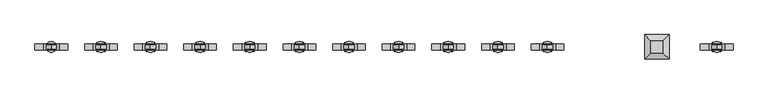
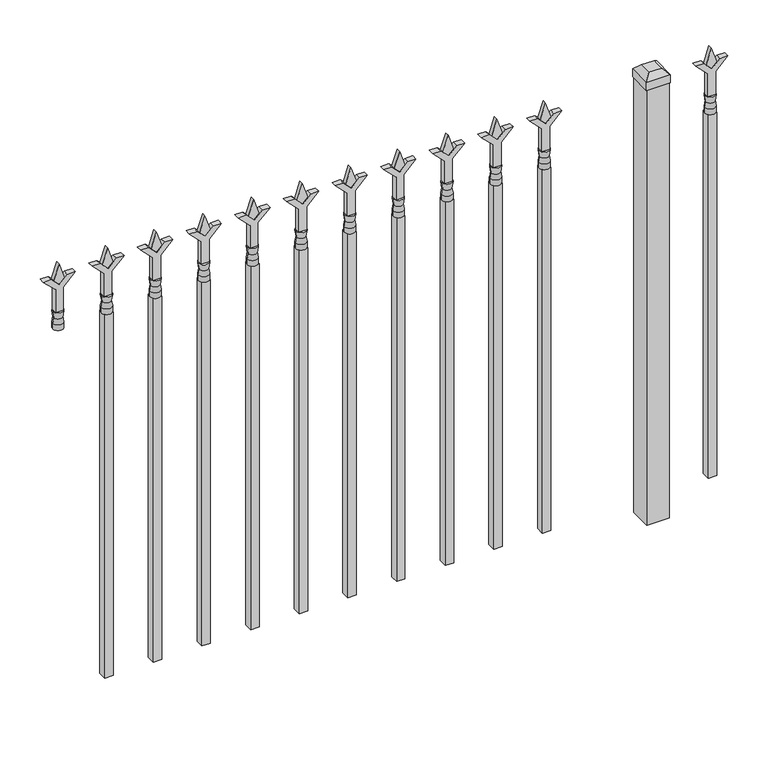
"""IFC4 building model written with IfcOpenShell, lengths in millimetres: railing geometry."""

from ifc_helpers import new_model, si_unit, frame, origin, origin_with_axes, place, context, project, spatial, polyline, circle_curve, outline, extrude, faceted_brep, source, transform, mapped, element, save
from ifc_brep_helpers import plane_surface, cylinder_surface, revolved_surface, advanced_brep


def railing_0266a685(model_context):
    return source(origin(), model_context, "Body", "SolidModel", [
        extrude(outline(polyline([(1031.08125, -84010.849337), (1066.8, -84022.755587), (1031.08125, -84034.661837), (1019.175, -84022.755587), (1031.08125, -84010.849337)])), frame((0.0, 5455.9804826, 0.0), z_axis=(0.0, 1.0, 0.0), x_axis=(0.0, 0.0, 1.0)), (0.0, 0.0, 1.0), 9.525),
        extrude(outline(polyline([(955.675, -84014.024337), (1009.9457378, -84014.024337), (1037.1355122, -83986.8345625), (1037.1355122, -84004.7950747), (1019.175, -84022.755587), (1037.1355122, -84040.7160992), (1037.1355122, -84058.6766114), (1009.9457378, -84031.486837), (955.675, -84031.486837), (955.675, -84014.024337)])), frame((0.0, 5454.3929826, 0.0), z_axis=(0.0, 1.0, 0.0), x_axis=(0.0, 0.0, 1.0)), (0.0, 0.0, 1.0), 12.7),
        advanced_brep(
        [(-84010.849337, 5460.7429826, 927.1), (-84034.661837, 5460.7429826, 927.1), (-84034.661837, 5460.7429826, 914.4), (-84010.849337, 5460.7429826, 914.4), (-84013.0546688, 5460.7429826, 939.6070585), (-84032.4565051, 5460.7429826, 939.6070585), (-84010.849337, 5460.7429826, 955.675), (-84034.661837, 5460.7429826, 955.675), (-84022.755587, 5460.7429826, 955.675), (-84022.755587, 5460.7429826, 914.4)],
        [
            (0, 1, circle_curve(frame((-84022.755587, 5460.7429826, 927.1), z_axis=(0.0, 0.0, -1.0), x_axis=(-1.0, 0.0, 0.0)), 11.90625)),
            (1, 2),
            (2, 3, circle_curve(frame((-84022.755587, 5460.7429826, 914.4), z_axis=(0.0, 0.0, 1.0), x_axis=(-1.0, 0.0, 0.0)), 11.90625)),
            (3, 0),
            (1, 0, circle_curve(frame((-84022.755587, 5460.7429826, 927.1), z_axis=(0.0, 0.0, -1.0), x_axis=(-1.0, 0.0, 0.0)), 11.90625)),
            (3, 2, circle_curve(frame((-84022.755587, 5460.7429826, 914.4), z_axis=(0.0, 0.0, 1.0), x_axis=(-1.0, 0.0, 0.0)), 11.90625)),
            (4, 5, circle_curve(frame((-84022.755587, 5460.7429826, 939.6070585), z_axis=(0.0, 0.0, -1.0), x_axis=(-1.0, 0.0, 0.0)), 9.7009181)),
            (5, 1),
            (0, 4),
            (5, 4, circle_curve(frame((-84022.755587, 5460.7429826, 939.6070585), z_axis=(0.0, 0.0, -1.0), x_axis=(-1.0, 0.0, 0.0)), 9.7009181)),
            (6, 7, circle_curve(frame((-84022.755587, 5460.7429826, 955.675), z_axis=(0.0, 0.0, -1.0), x_axis=(-1.0, 0.0, 0.0)), 11.90625)),
            (7, 5),
            (4, 6),
            (7, 6, circle_curve(frame((-84022.755587, 5460.7429826, 955.675), z_axis=(0.0, 0.0, -1.0), x_axis=(-1.0, 0.0, 0.0)), 11.90625)),
            (8, 7),
            (6, 8),
            (2, 9),
            (9, 3),
        ],
        [
            cylinder_surface(frame((-84022.755587, 5460.7429826, 914.4), z_axis=(0.0, 0.0, 1.0), x_axis=(-1.0, 0.0, 0.0)), 11.90625),
            revolved_surface(polyline([(-84034.661837, 5460.7429826, 927.1), (-84032.4565051, 5460.7429826, 939.6070585)]), (-84022.755587, 5460.7429826, 914.4), (0.0, 0.0, 1.0)),
            revolved_surface(polyline([(-84032.4565051, 5460.7429826, 939.6070585), (-84034.661837, 5460.7429826, 955.675)]), (-84022.755587, 5460.7429826, 914.4), (0.0, 0.0, 1.0)),
            plane_surface(frame((-84022.755587, 5460.7429826, 955.675), z_axis=(0.0, 0.0, 1.0), x_axis=(-1.0, 0.0, 0.0))),
            plane_surface(frame((-84022.755587, 5460.7429826, 914.4), z_axis=(0.0, 0.0, -1.0), x_axis=(-1.0, 0.0, 0.0))),
        ],
        [
            (0, [[1, 2, 3, 4]]),
            (0, [[5, -4, 6, -2]]),
            (1, [[7, 8, -1, 9]]),
            (1, [[10, -9, -5, -8]]),
            (2, [[11, 12, -7, 13]]),
            (2, [[14, -13, -10, -12]]),
            (3, [[15, -11, 16]]),
            (3, [[-16, -14, -15]]),
            (4, [[-3, 17, 18]]),
            (4, [[-6, -18, -17]]),
        ],
    ),
        extrude(outline(polyline([(-84032.280587, 5470.2679826), (-84013.230587, 5470.2679826), (-84013.230587, 5451.2179826), (-84032.280587, 5451.2179826), (-84032.280587, 5470.2679826)])), frame((0.0, 0.0, 50.8), z_axis=(0.0, 0.0, 1.0), x_axis=(1.0, 0.0, 0.0)), (0.0, 0.0, 1.0), 863.6),
        faceted_brep([(-84181.505587, 5487.7304826, 1054.1), (-84181.505587, 5487.7304826, 1035.05), (-84181.505587, 5433.7554826, 1035.05), (-84181.505587, 5433.7554826, 1054.1), (-84168.805587, 5475.0304826, 1066.8), (-84168.805587, 5446.4554826, 1066.8), (-84127.530587, 5433.7554826, 1035.05), (-84127.530587, 5433.7554826, 1054.1), (-84140.230587, 5446.4554826, 1066.8), (-84127.530587, 5487.7304826, 1035.05), (-84127.530587, 5487.7304826, 1054.1), (-84140.230587, 5475.0304826, 1066.8)], [[[0, 1, 2, 3]], [[4, 0, 3, 5]], [[3, 2, 6, 7]], [[5, 3, 7, 8]], [[7, 6, 9, 10]], [[8, 7, 10, 11]], [[10, 9, 1, 0]], [[11, 10, 0, 4]], [[5, 8, 11, 4]], [[1, 9, 6, 2]]]),
        extrude(outline(polyline([(-84129.118087, 5486.1429826), (-84129.118087, 5435.3429826), (-84179.918087, 5435.3429826), (-84179.918087, 5486.1429826), (-84129.118087, 5486.1429826)])), origin_with_axes(), (0.0, 0.0, 1.0), 1035.05),
        extrude(outline(polyline([(1031.08125, -84383.6472536), (1066.8, -84395.5535036), (1031.08125, -84407.4597536), (1019.175, -84395.5535036), (1031.08125, -84383.6472536)])), frame((0.0, 5455.9804826, 0.0), z_axis=(0.0, 1.0, 0.0), x_axis=(0.0, 0.0, 1.0)), (0.0, 0.0, 1.0), 9.525),
        extrude(outline(polyline([(955.675, -84386.8222536), (1009.9457378, -84386.8222536), (1037.1355122, -84359.6324791), (1037.1355122, -84377.5929914), (1019.175, -84395.5535036), (1037.1355122, -84413.5140159), (1037.1355122, -84431.4745281), (1009.9457378, -84404.2847536), (955.675, -84404.2847536), (955.675, -84386.8222536)])), frame((0.0, 5454.3929826, 0.0), z_axis=(0.0, 1.0, 0.0), x_axis=(0.0, 0.0, 1.0)), (0.0, 0.0, 1.0), 12.7),
        advanced_brep(
        [(-84383.6472536, 5460.7429826, 927.1), (-84407.4597536, 5460.7429826, 927.1), (-84407.4597536, 5460.7429826, 914.4), (-84383.6472536, 5460.7429826, 914.4), (-84385.8525855, 5460.7429826, 939.6070585), (-84405.2544218, 5460.7429826, 939.6070585), (-84383.6472536, 5460.7429826, 955.675), (-84407.4597536, 5460.7429826, 955.675), (-84395.5535036, 5460.7429826, 955.675), (-84395.5535036, 5460.7429826, 914.4)],
        [
            (0, 1, circle_curve(frame((-84395.5535036, 5460.7429826, 927.1), z_axis=(0.0, 0.0, -1.0), x_axis=(-1.0, 0.0, 0.0)), 11.90625)),
            (1, 2),
            (2, 3, circle_curve(frame((-84395.5535036, 5460.7429826, 914.4), z_axis=(0.0, 0.0, 1.0), x_axis=(-1.0, 0.0, 0.0)), 11.90625)),
            (3, 0),
            (1, 0, circle_curve(frame((-84395.5535036, 5460.7429826, 927.1), z_axis=(0.0, 0.0, -1.0), x_axis=(-1.0, 0.0, 0.0)), 11.90625)),
            (3, 2, circle_curve(frame((-84395.5535036, 5460.7429826, 914.4), z_axis=(0.0, 0.0, 1.0), x_axis=(-1.0, 0.0, 0.0)), 11.90625)),
            (4, 5, circle_curve(frame((-84395.5535036, 5460.7429826, 939.6070585), z_axis=(0.0, 0.0, -1.0), x_axis=(-1.0, 0.0, 0.0)), 9.7009181)),
            (5, 1),
            (0, 4),
            (5, 4, circle_curve(frame((-84395.5535036, 5460.7429826, 939.6070585), z_axis=(0.0, 0.0, -1.0), x_axis=(-1.0, 0.0, 0.0)), 9.7009181)),
            (6, 7, circle_curve(frame((-84395.5535036, 5460.7429826, 955.675), z_axis=(0.0, 0.0, -1.0), x_axis=(-1.0, 0.0, 0.0)), 11.90625)),
            (7, 5),
            (4, 6),
            (7, 6, circle_curve(frame((-84395.5535036, 5460.7429826, 955.675), z_axis=(0.0, 0.0, -1.0), x_axis=(-1.0, 0.0, 0.0)), 11.90625)),
            (8, 7),
            (6, 8),
            (2, 9),
            (9, 3),
        ],
        [
            cylinder_surface(frame((-84395.5535036, 5460.7429826, 914.4), z_axis=(0.0, 0.0, 1.0), x_axis=(-1.0, 0.0, 0.0)), 11.90625),
            revolved_surface(polyline([(-84407.4597536, 5460.7429826, 927.1), (-84405.2544218, 5460.7429826, 939.6070585)]), (-84395.5535036, 5460.7429826, 914.4), (0.0, 0.0, 1.0)),
            revolved_surface(polyline([(-84405.2544218, 5460.7429826, 939.6070585), (-84407.4597536, 5460.7429826, 955.675)]), (-84395.5535036, 5460.7429826, 914.4), (0.0, 0.0, 1.0)),
            plane_surface(frame((-84395.5535036, 5460.7429826, 955.675), z_axis=(0.0, 0.0, 1.0), x_axis=(-1.0, 0.0, 0.0))),
            plane_surface(frame((-84395.5535036, 5460.7429826, 914.4), z_axis=(0.0, 0.0, -1.0), x_axis=(-1.0, 0.0, 0.0))),
        ],
        [
            (0, [[1, 2, 3, 4]]),
            (0, [[5, -4, 6, -2]]),
            (1, [[7, 8, -1, 9]]),
            (1, [[10, -9, -5, -8]]),
            (2, [[11, 12, -7, 13]]),
            (2, [[14, -13, -10, -12]]),
            (3, [[15, -11, 16]]),
            (3, [[-16, -14, -15]]),
            (4, [[-3, 17, 18]]),
            (4, [[-6, -18, -17]]),
        ],
    ),
        extrude(outline(polyline([(-84405.0785036, 5470.2679826), (-84386.0285036, 5470.2679826), (-84386.0285036, 5451.2179826), (-84405.0785036, 5451.2179826), (-84405.0785036, 5470.2679826)])), frame((0.0, 0.0, 50.8), z_axis=(0.0, 0.0, 1.0), x_axis=(1.0, 0.0, 0.0)), (0.0, 0.0, 1.0), 863.6),
        extrude(outline(polyline([(1031.08125, -84492.9201703), (1066.8, -84504.8264203), (1031.08125, -84516.7326703), (1019.175, -84504.8264203), (1031.08125, -84492.9201703)])), frame((0.0, 5455.9804826, 0.0), z_axis=(0.0, 1.0, 0.0), x_axis=(0.0, 0.0, 1.0)), (0.0, 0.0, 1.0), 9.525),
        extrude(outline(polyline([(955.675, -84496.0951703), (1009.9457378, -84496.0951703), (1037.1355122, -84468.9053958), (1037.1355122, -84486.8659081), (1019.175, -84504.8264203), (1037.1355122, -84522.7869325), (1037.1355122, -84540.7474448), (1009.9457378, -84513.5576703), (955.675, -84513.5576703), (955.675, -84496.0951703)])), frame((0.0, 5454.3929826, 0.0), z_axis=(0.0, 1.0, 0.0), x_axis=(0.0, 0.0, 1.0)), (0.0, 0.0, 1.0), 12.7),
        advanced_brep(
        [(-84492.9201703, 5460.7429826, 927.1), (-84516.7326703, 5460.7429826, 927.1), (-84516.7326703, 5460.7429826, 914.4), (-84492.9201703, 5460.7429826, 914.4), (-84495.1255022, 5460.7429826, 939.6070585), (-84514.5273384, 5460.7429826, 939.6070585), (-84492.9201703, 5460.7429826, 955.675), (-84516.7326703, 5460.7429826, 955.675), (-84504.8264203, 5460.7429826, 955.675), (-84504.8264203, 5460.7429826, 914.4)],
        [
            (0, 1, circle_curve(frame((-84504.8264203, 5460.7429826, 927.1), z_axis=(0.0, 0.0, -1.0), x_axis=(-1.0, 0.0, 0.0)), 11.90625)),
            (1, 2),
            (2, 3, circle_curve(frame((-84504.8264203, 5460.7429826, 914.4), z_axis=(0.0, 0.0, 1.0), x_axis=(-1.0, 0.0, 0.0)), 11.90625)),
            (3, 0),
            (1, 0, circle_curve(frame((-84504.8264203, 5460.7429826, 927.1), z_axis=(0.0, 0.0, -1.0), x_axis=(-1.0, 0.0, 0.0)), 11.90625)),
            (3, 2, circle_curve(frame((-84504.8264203, 5460.7429826, 914.4), z_axis=(0.0, 0.0, 1.0), x_axis=(-1.0, 0.0, 0.0)), 11.90625)),
            (4, 5, circle_curve(frame((-84504.8264203, 5460.7429826, 939.6070585), z_axis=(0.0, 0.0, -1.0), x_axis=(-1.0, 0.0, 0.0)), 9.7009181)),
            (5, 1),
            (0, 4),
            (5, 4, circle_curve(frame((-84504.8264203, 5460.7429826, 939.6070585), z_axis=(0.0, 0.0, -1.0), x_axis=(-1.0, 0.0, 0.0)), 9.7009181)),
            (6, 7, circle_curve(frame((-84504.8264203, 5460.7429826, 955.675), z_axis=(0.0, 0.0, -1.0), x_axis=(-1.0, 0.0, 0.0)), 11.90625)),
            (7, 5),
            (4, 6),
            (7, 6, circle_curve(frame((-84504.8264203, 5460.7429826, 955.675), z_axis=(0.0, 0.0, -1.0), x_axis=(-1.0, 0.0, 0.0)), 11.90625)),
            (8, 7),
            (6, 8),
            (2, 9),
            (9, 3),
        ],
        [
            cylinder_surface(frame((-84504.8264203, 5460.7429826, 914.4), z_axis=(0.0, 0.0, 1.0), x_axis=(-1.0, 0.0, 0.0)), 11.90625),
            revolved_surface(polyline([(-84516.7326703, 5460.7429826, 927.1), (-84514.5273384, 5460.7429826, 939.6070585)]), (-84504.8264203, 5460.7429826, 914.4), (0.0, 0.0, 1.0)),
            revolved_surface(polyline([(-84514.5273384, 5460.7429826, 939.6070585), (-84516.7326703, 5460.7429826, 955.675)]), (-84504.8264203, 5460.7429826, 914.4), (0.0, 0.0, 1.0)),
            plane_surface(frame((-84504.8264203, 5460.7429826, 955.675), z_axis=(0.0, 0.0, 1.0), x_axis=(-1.0, 0.0, 0.0))),
            plane_surface(frame((-84504.8264203, 5460.7429826, 914.4), z_axis=(0.0, 0.0, -1.0), x_axis=(-1.0, 0.0, 0.0))),
        ],
        [
            (0, [[1, 2, 3, 4]]),
            (0, [[5, -4, 6, -2]]),
            (1, [[7, 8, -1, 9]]),
            (1, [[10, -9, -5, -8]]),
            (2, [[11, 12, -7, 13]]),
            (2, [[14, -13, -10, -12]]),
            (3, [[15, -11, 16]]),
            (3, [[-16, -14, -15]]),
            (4, [[-3, 17, 18]]),
            (4, [[-6, -18, -17]]),
        ],
    ),
        extrude(outline(polyline([(-84514.3514203, 5470.2679826), (-84495.3014203, 5470.2679826), (-84495.3014203, 5451.2179826), (-84514.3514203, 5451.2179826), (-84514.3514203, 5470.2679826)])), frame((0.0, 0.0, 50.8), z_axis=(0.0, 0.0, 1.0), x_axis=(1.0, 0.0, 0.0)), (0.0, 0.0, 1.0), 863.6),
        extrude(outline(polyline([(1031.08125, -84602.193087), (1066.8, -84614.099337), (1031.08125, -84626.005587), (1019.175, -84614.099337), (1031.08125, -84602.193087)])), frame((0.0, 5455.9804826, 0.0), z_axis=(0.0, 1.0, 0.0), x_axis=(0.0, 0.0, 1.0)), (0.0, 0.0, 1.0), 9.525),
        extrude(outline(polyline([(955.675, -84605.368087), (1009.9457378, -84605.368087), (1037.1355122, -84578.1783125), (1037.1355122, -84596.1388247), (1019.175, -84614.099337), (1037.1355122, -84632.0598492), (1037.1355122, -84650.0203614), (1009.9457378, -84622.830587), (955.675, -84622.830587), (955.675, -84605.368087)])), frame((0.0, 5454.3929826, 0.0), z_axis=(0.0, 1.0, 0.0), x_axis=(0.0, 0.0, 1.0)), (0.0, 0.0, 1.0), 12.7),
        advanced_brep(
        [(-84602.193087, 5460.7429826, 927.1), (-84626.005587, 5460.7429826, 927.1), (-84626.005587, 5460.7429826, 914.4), (-84602.193087, 5460.7429826, 914.4), (-84604.3984188, 5460.7429826, 939.6070585), (-84623.8002551, 5460.7429826, 939.6070585), (-84602.193087, 5460.7429826, 955.675), (-84626.005587, 5460.7429826, 955.675), (-84614.099337, 5460.7429826, 955.675), (-84614.099337, 5460.7429826, 914.4)],
        [
            (0, 1, circle_curve(frame((-84614.099337, 5460.7429826, 927.1), z_axis=(0.0, 0.0, -1.0), x_axis=(-1.0, 0.0, 0.0)), 11.90625)),
            (1, 2),
            (2, 3, circle_curve(frame((-84614.099337, 5460.7429826, 914.4), z_axis=(0.0, 0.0, 1.0), x_axis=(-1.0, 0.0, 0.0)), 11.90625)),
            (3, 0),
            (1, 0, circle_curve(frame((-84614.099337, 5460.7429826, 927.1), z_axis=(0.0, 0.0, -1.0), x_axis=(-1.0, 0.0, 0.0)), 11.90625)),
            (3, 2, circle_curve(frame((-84614.099337, 5460.7429826, 914.4), z_axis=(0.0, 0.0, 1.0), x_axis=(-1.0, 0.0, 0.0)), 11.90625)),
            (4, 5, circle_curve(frame((-84614.099337, 5460.7429826, 939.6070585), z_axis=(0.0, 0.0, -1.0), x_axis=(-1.0, 0.0, 0.0)), 9.7009181)),
            (5, 1),
            (0, 4),
            (5, 4, circle_curve(frame((-84614.099337, 5460.7429826, 939.6070585), z_axis=(0.0, 0.0, -1.0), x_axis=(-1.0, 0.0, 0.0)), 9.7009181)),
            (6, 7, circle_curve(frame((-84614.099337, 5460.7429826, 955.675), z_axis=(0.0, 0.0, -1.0), x_axis=(-1.0, 0.0, 0.0)), 11.90625)),
            (7, 5),
            (4, 6),
            (7, 6, circle_curve(frame((-84614.099337, 5460.7429826, 955.675), z_axis=(0.0, 0.0, -1.0), x_axis=(-1.0, 0.0, 0.0)), 11.90625)),
            (8, 7),
            (6, 8),
            (2, 9),
            (9, 3),
        ],
        [
            cylinder_surface(frame((-84614.099337, 5460.7429826, 914.4), z_axis=(0.0, 0.0, 1.0), x_axis=(-1.0, 0.0, 0.0)), 11.90625),
            revolved_surface(polyline([(-84626.005587, 5460.7429826, 927.1), (-84623.8002551, 5460.7429826, 939.6070585)]), (-84614.099337, 5460.7429826, 914.4), (0.0, 0.0, 1.0)),
            revolved_surface(polyline([(-84623.8002551, 5460.7429826, 939.6070585), (-84626.005587, 5460.7429826, 955.675)]), (-84614.099337, 5460.7429826, 914.4), (0.0, 0.0, 1.0)),
            plane_surface(frame((-84614.099337, 5460.7429826, 955.675), z_axis=(0.0, 0.0, 1.0), x_axis=(-1.0, 0.0, 0.0))),
            plane_surface(frame((-84614.099337, 5460.7429826, 914.4), z_axis=(0.0, 0.0, -1.0), x_axis=(-1.0, 0.0, 0.0))),
        ],
        [
            (0, [[1, 2, 3, 4]]),
            (0, [[5, -4, 6, -2]]),
            (1, [[7, 8, -1, 9]]),
            (1, [[10, -9, -5, -8]]),
            (2, [[11, 12, -7, 13]]),
            (2, [[14, -13, -10, -12]]),
            (3, [[15, -11, 16]]),
            (3, [[-16, -14, -15]]),
            (4, [[-3, 17, 18]]),
            (4, [[-6, -18, -17]]),
        ],
    ),
        extrude(outline(polyline([(-84623.624337, 5470.2679826), (-84604.574337, 5470.2679826), (-84604.574337, 5451.2179826), (-84623.624337, 5451.2179826), (-84623.624337, 5470.2679826)])), frame((0.0, 0.0, 50.8), z_axis=(0.0, 0.0, 1.0), x_axis=(1.0, 0.0, 0.0)), (0.0, 0.0, 1.0), 863.6),
        extrude(outline(polyline([(1031.08125, -84711.4660036), (1066.8, -84723.3722536), (1031.08125, -84735.2785036), (1019.175, -84723.3722536), (1031.08125, -84711.4660036)])), frame((0.0, 5455.9804826, 0.0), z_axis=(0.0, 1.0, 0.0), x_axis=(0.0, 0.0, 1.0)), (0.0, 0.0, 1.0), 9.525),
        extrude(outline(polyline([(955.675, -84714.6410036), (1009.9457378, -84714.6410036), (1037.1355122, -84687.4512291), (1037.1355122, -84705.4117414), (1019.175, -84723.3722536), (1037.1355122, -84741.3327659), (1037.1355122, -84759.2932781), (1009.9457378, -84732.1035036), (955.675, -84732.1035036), (955.675, -84714.6410036)])), frame((0.0, 5454.3929826, 0.0), z_axis=(0.0, 1.0, 0.0), x_axis=(0.0, 0.0, 1.0)), (0.0, 0.0, 1.0), 12.7),
        advanced_brep(
        [(-84711.4660036, 5460.7429826, 927.1), (-84735.2785036, 5460.7429826, 927.1), (-84735.2785036, 5460.7429826, 914.4), (-84711.4660036, 5460.7429826, 914.4), (-84713.6713355, 5460.7429826, 939.6070585), (-84733.0731718, 5460.7429826, 939.6070585), (-84711.4660036, 5460.7429826, 955.675), (-84735.2785036, 5460.7429826, 955.675), (-84723.3722536, 5460.7429826, 955.675), (-84723.3722536, 5460.7429826, 914.4)],
        [
            (0, 1, circle_curve(frame((-84723.3722536, 5460.7429826, 927.1), z_axis=(0.0, 0.0, -1.0), x_axis=(-1.0, 0.0, 0.0)), 11.90625)),
            (1, 2),
            (2, 3, circle_curve(frame((-84723.3722536, 5460.7429826, 914.4), z_axis=(0.0, 0.0, 1.0), x_axis=(-1.0, 0.0, 0.0)), 11.90625)),
            (3, 0),
            (1, 0, circle_curve(frame((-84723.3722536, 5460.7429826, 927.1), z_axis=(0.0, 0.0, -1.0), x_axis=(-1.0, 0.0, 0.0)), 11.90625)),
            (3, 2, circle_curve(frame((-84723.3722536, 5460.7429826, 914.4), z_axis=(0.0, 0.0, 1.0), x_axis=(-1.0, 0.0, 0.0)), 11.90625)),
            (4, 5, circle_curve(frame((-84723.3722536, 5460.7429826, 939.6070585), z_axis=(0.0, 0.0, -1.0), x_axis=(-1.0, 0.0, 0.0)), 9.7009181)),
            (5, 1),
            (0, 4),
            (5, 4, circle_curve(frame((-84723.3722536, 5460.7429826, 939.6070585), z_axis=(0.0, 0.0, -1.0), x_axis=(-1.0, 0.0, 0.0)), 9.7009181)),
            (6, 7, circle_curve(frame((-84723.3722536, 5460.7429826, 955.675), z_axis=(0.0, 0.0, -1.0), x_axis=(-1.0, 0.0, 0.0)), 11.90625)),
            (7, 5),
            (4, 6),
            (7, 6, circle_curve(frame((-84723.3722536, 5460.7429826, 955.675), z_axis=(0.0, 0.0, -1.0), x_axis=(-1.0, 0.0, 0.0)), 11.90625)),
            (8, 7),
            (6, 8),
            (2, 9),
            (9, 3),
        ],
        [
            cylinder_surface(frame((-84723.3722536, 5460.7429826, 914.4), z_axis=(0.0, 0.0, 1.0), x_axis=(-1.0, 0.0, 0.0)), 11.90625),
            revolved_surface(polyline([(-84735.2785036, 5460.7429826, 927.1), (-84733.0731718, 5460.7429826, 939.6070585)]), (-84723.3722536, 5460.7429826, 914.4), (0.0, 0.0, 1.0)),
            revolved_surface(polyline([(-84733.0731718, 5460.7429826, 939.6070585), (-84735.2785036, 5460.7429826, 955.675)]), (-84723.3722536, 5460.7429826, 914.4), (0.0, 0.0, 1.0)),
            plane_surface(frame((-84723.3722536, 5460.7429826, 955.675), z_axis=(0.0, 0.0, 1.0), x_axis=(-1.0, 0.0, 0.0))),
            plane_surface(frame((-84723.3722536, 5460.7429826, 914.4), z_axis=(0.0, 0.0, -1.0), x_axis=(-1.0, 0.0, 0.0))),
        ],
        [
            (0, [[1, 2, 3, 4]]),
            (0, [[5, -4, 6, -2]]),
            (1, [[7, 8, -1, 9]]),
            (1, [[10, -9, -5, -8]]),
            (2, [[11, 12, -7, 13]]),
            (2, [[14, -13, -10, -12]]),
            (3, [[15, -11, 16]]),
            (3, [[-16, -14, -15]]),
            (4, [[-3, 17, 18]]),
            (4, [[-6, -18, -17]]),
        ],
    ),
        extrude(outline(polyline([(-84732.8972536, 5470.2679826), (-84713.8472536, 5470.2679826), (-84713.8472536, 5451.2179826), (-84732.8972536, 5451.2179826), (-84732.8972536, 5470.2679826)])), frame((0.0, 0.0, 50.8), z_axis=(0.0, 0.0, 1.0), x_axis=(1.0, 0.0, 0.0)), (0.0, 0.0, 1.0), 863.6),
        extrude(outline(polyline([(1031.08125, -84820.7389203), (1066.8, -84832.6451703), (1031.08125, -84844.5514203), (1019.175, -84832.6451703), (1031.08125, -84820.7389203)])), frame((0.0, 5455.9804826, 0.0), z_axis=(0.0, 1.0, 0.0), x_axis=(0.0, 0.0, 1.0)), (0.0, 0.0, 1.0), 9.525),
        extrude(outline(polyline([(955.675, -84823.9139203), (1009.9457378, -84823.9139203), (1037.1355122, -84796.7241458), (1037.1355122, -84814.6846581), (1019.175, -84832.6451703), (1037.1355122, -84850.6056825), (1037.1355122, -84868.5661948), (1009.9457378, -84841.3764203), (955.675, -84841.3764203), (955.675, -84823.9139203)])), frame((0.0, 5454.3929826, 0.0), z_axis=(0.0, 1.0, 0.0), x_axis=(0.0, 0.0, 1.0)), (0.0, 0.0, 1.0), 12.7),
        advanced_brep(
        [(-84820.7389203, 5460.7429826, 927.1), (-84844.5514203, 5460.7429826, 927.1), (-84844.5514203, 5460.7429826, 914.4), (-84820.7389203, 5460.7429826, 914.4), (-84822.9442522, 5460.7429826, 939.6070585), (-84842.3460884, 5460.7429826, 939.6070585), (-84820.7389203, 5460.7429826, 955.675), (-84844.5514203, 5460.7429826, 955.675), (-84832.6451703, 5460.7429826, 955.675), (-84832.6451703, 5460.7429826, 914.4)],
        [
            (0, 1, circle_curve(frame((-84832.6451703, 5460.7429826, 927.1), z_axis=(0.0, 0.0, -1.0), x_axis=(-1.0, 0.0, 0.0)), 11.90625)),
            (1, 2),
            (2, 3, circle_curve(frame((-84832.6451703, 5460.7429826, 914.4), z_axis=(0.0, 0.0, 1.0), x_axis=(-1.0, 0.0, 0.0)), 11.90625)),
            (3, 0),
            (1, 0, circle_curve(frame((-84832.6451703, 5460.7429826, 927.1), z_axis=(0.0, 0.0, -1.0), x_axis=(-1.0, 0.0, 0.0)), 11.90625)),
            (3, 2, circle_curve(frame((-84832.6451703, 5460.7429826, 914.4), z_axis=(0.0, 0.0, 1.0), x_axis=(-1.0, 0.0, 0.0)), 11.90625)),
            (4, 5, circle_curve(frame((-84832.6451703, 5460.7429826, 939.6070585), z_axis=(0.0, 0.0, -1.0), x_axis=(-1.0, 0.0, 0.0)), 9.7009181)),
            (5, 1),
            (0, 4),
            (5, 4, circle_curve(frame((-84832.6451703, 5460.7429826, 939.6070585), z_axis=(0.0, 0.0, -1.0), x_axis=(-1.0, 0.0, 0.0)), 9.7009181)),
            (6, 7, circle_curve(frame((-84832.6451703, 5460.7429826, 955.675), z_axis=(0.0, 0.0, -1.0), x_axis=(-1.0, 0.0, 0.0)), 11.90625)),
            (7, 5),
            (4, 6),
            (7, 6, circle_curve(frame((-84832.6451703, 5460.7429826, 955.675), z_axis=(0.0, 0.0, -1.0), x_axis=(-1.0, 0.0, 0.0)), 11.90625)),
            (8, 7),
            (6, 8),
            (2, 9),
            (9, 3),
        ],
        [
            cylinder_surface(frame((-84832.6451703, 5460.7429826, 914.4), z_axis=(0.0, 0.0, 1.0), x_axis=(-1.0, 0.0, 0.0)), 11.90625),
            revolved_surface(polyline([(-84844.5514203, 5460.7429826, 927.1), (-84842.3460884, 5460.7429826, 939.6070585)]), (-84832.6451703, 5460.7429826, 914.4), (0.0, 0.0, 1.0)),
            revolved_surface(polyline([(-84842.3460884, 5460.7429826, 939.6070585), (-84844.5514203, 5460.7429826, 955.675)]), (-84832.6451703, 5460.7429826, 914.4), (0.0, 0.0, 1.0)),
            plane_surface(frame((-84832.6451703, 5460.7429826, 955.675), z_axis=(0.0, 0.0, 1.0), x_axis=(-1.0, 0.0, 0.0))),
            plane_surface(frame((-84832.6451703, 5460.7429826, 914.4), z_axis=(0.0, 0.0, -1.0), x_axis=(-1.0, 0.0, 0.0))),
        ],
        [
            (0, [[1, 2, 3, 4]]),
            (0, [[5, -4, 6, -2]]),
            (1, [[7, 8, -1, 9]]),
            (1, [[10, -9, -5, -8]]),
            (2, [[11, 12, -7, 13]]),
            (2, [[14, -13, -10, -12]]),
            (3, [[15, -11, 16]]),
            (3, [[-16, -14, -15]]),
            (4, [[-3, 17, 18]]),
            (4, [[-6, -18, -17]]),
        ],
    ),
        extrude(outline(polyline([(-84842.1701703, 5470.2679826), (-84823.1201703, 5470.2679826), (-84823.1201703, 5451.2179826), (-84842.1701703, 5451.2179826), (-84842.1701703, 5470.2679826)])), frame((0.0, 0.0, 50.8), z_axis=(0.0, 0.0, 1.0), x_axis=(1.0, 0.0, 0.0)), (0.0, 0.0, 1.0), 863.6),
        extrude(outline(polyline([(1031.08125, -84930.011837), (1066.8, -84941.918087), (1031.08125, -84953.824337), (1019.175, -84941.918087), (1031.08125, -84930.011837)])), frame((0.0, 5455.9804826, 0.0), z_axis=(0.0, 1.0, 0.0), x_axis=(0.0, 0.0, 1.0)), (0.0, 0.0, 1.0), 9.525),
        extrude(outline(polyline([(955.675, -84933.186837), (1009.9457378, -84933.186837), (1037.1355122, -84905.9970625), (1037.1355122, -84923.9575747), (1019.175, -84941.918087), (1037.1355122, -84959.8785992), (1037.1355122, -84977.8391114), (1009.9457378, -84950.649337), (955.675, -84950.649337), (955.675, -84933.186837)])), frame((0.0, 5454.3929826, 0.0), z_axis=(0.0, 1.0, 0.0), x_axis=(0.0, 0.0, 1.0)), (0.0, 0.0, 1.0), 12.7),
        advanced_brep(
        [(-84930.011837, 5460.7429826, 927.1), (-84953.824337, 5460.7429826, 927.1), (-84953.824337, 5460.7429826, 914.4), (-84930.011837, 5460.7429826, 914.4), (-84932.2171688, 5460.7429826, 939.6070585), (-84951.6190051, 5460.7429826, 939.6070585), (-84930.011837, 5460.7429826, 955.675), (-84953.824337, 5460.7429826, 955.675), (-84941.918087, 5460.7429826, 955.675), (-84941.918087, 5460.7429826, 914.4)],
        [
            (0, 1, circle_curve(frame((-84941.918087, 5460.7429826, 927.1), z_axis=(0.0, 0.0, -1.0), x_axis=(-1.0, 0.0, 0.0)), 11.90625)),
            (1, 2),
            (2, 3, circle_curve(frame((-84941.918087, 5460.7429826, 914.4), z_axis=(0.0, 0.0, 1.0), x_axis=(-1.0, 0.0, 0.0)), 11.90625)),
            (3, 0),
            (1, 0, circle_curve(frame((-84941.918087, 5460.7429826, 927.1), z_axis=(0.0, 0.0, -1.0), x_axis=(-1.0, 0.0, 0.0)), 11.90625)),
            (3, 2, circle_curve(frame((-84941.918087, 5460.7429826, 914.4), z_axis=(0.0, 0.0, 1.0), x_axis=(-1.0, 0.0, 0.0)), 11.90625)),
            (4, 5, circle_curve(frame((-84941.918087, 5460.7429826, 939.6070585), z_axis=(0.0, 0.0, -1.0), x_axis=(-1.0, 0.0, 0.0)), 9.7009181)),
            (5, 1),
            (0, 4),
            (5, 4, circle_curve(frame((-84941.918087, 5460.7429826, 939.6070585), z_axis=(0.0, 0.0, -1.0), x_axis=(-1.0, 0.0, 0.0)), 9.7009181)),
            (6, 7, circle_curve(frame((-84941.918087, 5460.7429826, 955.675), z_axis=(0.0, 0.0, -1.0), x_axis=(-1.0, 0.0, 0.0)), 11.90625)),
            (7, 5),
            (4, 6),
            (7, 6, circle_curve(frame((-84941.918087, 5460.7429826, 955.675), z_axis=(0.0, 0.0, -1.0), x_axis=(-1.0, 0.0, 0.0)), 11.90625)),
            (8, 7),
            (6, 8),
            (2, 9),
            (9, 3),
        ],
        [
            cylinder_surface(frame((-84941.918087, 5460.7429826, 914.4), z_axis=(0.0, 0.0, 1.0), x_axis=(-1.0, 0.0, 0.0)), 11.90625),
            revolved_surface(polyline([(-84953.824337, 5460.7429826, 927.1), (-84951.6190051, 5460.7429826, 939.6070585)]), (-84941.918087, 5460.7429826, 914.4), (0.0, 0.0, 1.0)),
            revolved_surface(polyline([(-84951.6190051, 5460.7429826, 939.6070585), (-84953.824337, 5460.7429826, 955.675)]), (-84941.918087, 5460.7429826, 914.4), (0.0, 0.0, 1.0)),
            plane_surface(frame((-84941.918087, 5460.7429826, 955.675), z_axis=(0.0, 0.0, 1.0), x_axis=(-1.0, 0.0, 0.0))),
            plane_surface(frame((-84941.918087, 5460.7429826, 914.4), z_axis=(0.0, 0.0, -1.0), x_axis=(-1.0, 0.0, 0.0))),
        ],
        [
            (0, [[1, 2, 3, 4]]),
            (0, [[5, -4, 6, -2]]),
            (1, [[7, 8, -1, 9]]),
            (1, [[10, -9, -5, -8]]),
            (2, [[11, 12, -7, 13]]),
            (2, [[14, -13, -10, -12]]),
            (3, [[15, -11, 16]]),
            (3, [[-16, -14, -15]]),
            (4, [[-3, 17, 18]]),
            (4, [[-6, -18, -17]]),
        ],
    ),
        extrude(outline(polyline([(-84951.443087, 5470.2679826), (-84932.393087, 5470.2679826), (-84932.393087, 5451.2179826), (-84951.443087, 5451.2179826), (-84951.443087, 5470.2679826)])), frame((0.0, 0.0, 50.8), z_axis=(0.0, 0.0, 1.0), x_axis=(1.0, 0.0, 0.0)), (0.0, 0.0, 1.0), 863.6),
        extrude(outline(polyline([(1031.08125, -85039.2847536), (1066.8, -85051.1910036), (1031.08125, -85063.0972536), (1019.175, -85051.1910036), (1031.08125, -85039.2847536)])), frame((0.0, 5455.9804826, 0.0), z_axis=(0.0, 1.0, 0.0), x_axis=(0.0, 0.0, 1.0)), (0.0, 0.0, 1.0), 9.525),
        extrude(outline(polyline([(955.675, -85042.4597536), (1009.9457378, -85042.4597536), (1037.1355122, -85015.2699791), (1037.1355122, -85033.2304914), (1019.175, -85051.1910036), (1037.1355122, -85069.1515159), (1037.1355122, -85087.1120281), (1009.9457378, -85059.9222536), (955.675, -85059.9222536), (955.675, -85042.4597536)])), frame((0.0, 5454.3929826, 0.0), z_axis=(0.0, 1.0, 0.0), x_axis=(0.0, 0.0, 1.0)), (0.0, 0.0, 1.0), 12.7),
        advanced_brep(
        [(-85039.2847536, 5460.7429826, 927.1), (-85063.0972536, 5460.7429826, 927.1), (-85063.0972536, 5460.7429826, 914.4), (-85039.2847536, 5460.7429826, 914.4), (-85041.4900855, 5460.7429826, 939.6070585), (-85060.8919218, 5460.7429826, 939.6070585), (-85039.2847536, 5460.7429826, 955.675), (-85063.0972536, 5460.7429826, 955.675), (-85051.1910036, 5460.7429826, 955.675), (-85051.1910036, 5460.7429826, 914.4)],
        [
            (0, 1, circle_curve(frame((-85051.1910036, 5460.7429826, 927.1), z_axis=(0.0, 0.0, -1.0), x_axis=(-1.0, 0.0, 0.0)), 11.90625)),
            (1, 2),
            (2, 3, circle_curve(frame((-85051.1910036, 5460.7429826, 914.4), z_axis=(0.0, 0.0, 1.0), x_axis=(-1.0, 0.0, 0.0)), 11.90625)),
            (3, 0),
            (1, 0, circle_curve(frame((-85051.1910036, 5460.7429826, 927.1), z_axis=(0.0, 0.0, -1.0), x_axis=(-1.0, 0.0, 0.0)), 11.90625)),
            (3, 2, circle_curve(frame((-85051.1910036, 5460.7429826, 914.4), z_axis=(0.0, 0.0, 1.0), x_axis=(-1.0, 0.0, 0.0)), 11.90625)),
            (4, 5, circle_curve(frame((-85051.1910036, 5460.7429826, 939.6070585), z_axis=(0.0, 0.0, -1.0), x_axis=(-1.0, 0.0, 0.0)), 9.7009181)),
            (5, 1),
            (0, 4),
            (5, 4, circle_curve(frame((-85051.1910036, 5460.7429826, 939.6070585), z_axis=(0.0, 0.0, -1.0), x_axis=(-1.0, 0.0, 0.0)), 9.7009181)),
            (6, 7, circle_curve(frame((-85051.1910036, 5460.7429826, 955.675), z_axis=(0.0, 0.0, -1.0), x_axis=(-1.0, 0.0, 0.0)), 11.90625)),
            (7, 5),
            (4, 6),
            (7, 6, circle_curve(frame((-85051.1910036, 5460.7429826, 955.675), z_axis=(0.0, 0.0, -1.0), x_axis=(-1.0, 0.0, 0.0)), 11.90625)),
            (8, 7),
            (6, 8),
            (2, 9),
            (9, 3),
        ],
        [
            cylinder_surface(frame((-85051.1910036, 5460.7429826, 914.4), z_axis=(0.0, 0.0, 1.0), x_axis=(-1.0, 0.0, 0.0)), 11.90625),
            revolved_surface(polyline([(-85063.0972536, 5460.7429826, 927.1), (-85060.8919218, 5460.7429826, 939.6070585)]), (-85051.1910036, 5460.7429826, 914.4), (0.0, 0.0, 1.0)),
            revolved_surface(polyline([(-85060.8919218, 5460.7429826, 939.6070585), (-85063.0972536, 5460.7429826, 955.675)]), (-85051.1910036, 5460.7429826, 914.4), (0.0, 0.0, 1.0)),
            plane_surface(frame((-85051.1910036, 5460.7429826, 955.675), z_axis=(0.0, 0.0, 1.0), x_axis=(-1.0, 0.0, 0.0))),
            plane_surface(frame((-85051.1910036, 5460.7429826, 914.4), z_axis=(0.0, 0.0, -1.0), x_axis=(-1.0, 0.0, 0.0))),
        ],
        [
            (0, [[1, 2, 3, 4]]),
            (0, [[5, -4, 6, -2]]),
            (1, [[7, 8, -1, 9]]),
            (1, [[10, -9, -5, -8]]),
            (2, [[11, 12, -7, 13]]),
            (2, [[14, -13, -10, -12]]),
            (3, [[15, -11, 16]]),
            (3, [[-16, -14, -15]]),
            (4, [[-3, 17, 18]]),
            (4, [[-6, -18, -17]]),
        ],
    ),
        extrude(outline(polyline([(-85060.7160036, 5470.2679826), (-85041.6660036, 5470.2679826), (-85041.6660036, 5451.2179826), (-85060.7160036, 5451.2179826), (-85060.7160036, 5470.2679826)])), frame((0.0, 0.0, 50.8), z_axis=(0.0, 0.0, 1.0), x_axis=(1.0, 0.0, 0.0)), (0.0, 0.0, 1.0), 863.6),
        extrude(outline(polyline([(1031.08125, -85148.5576703), (1066.8, -85160.4639203), (1031.08125, -85172.3701703), (1019.175, -85160.4639203), (1031.08125, -85148.5576703)])), frame((0.0, 5455.9804826, 0.0), z_axis=(0.0, 1.0, 0.0), x_axis=(0.0, 0.0, 1.0)), (0.0, 0.0, 1.0), 9.525),
        extrude(outline(polyline([(955.675, -85151.7326703), (1009.9457378, -85151.7326703), (1037.1355122, -85124.5428958), (1037.1355122, -85142.5034081), (1019.175, -85160.4639203), (1037.1355122, -85178.4244325), (1037.1355122, -85196.3849448), (1009.9457378, -85169.1951703), (955.675, -85169.1951703), (955.675, -85151.7326703)])), frame((0.0, 5454.3929826, 0.0), z_axis=(0.0, 1.0, 0.0), x_axis=(0.0, 0.0, 1.0)), (0.0, 0.0, 1.0), 12.7),
        advanced_brep(
        [(-85148.5576703, 5460.7429826, 927.1), (-85172.3701703, 5460.7429826, 927.1), (-85172.3701703, 5460.7429826, 914.4), (-85148.5576703, 5460.7429826, 914.4), (-85150.7630022, 5460.7429826, 939.6070585), (-85170.1648384, 5460.7429826, 939.6070585), (-85148.5576703, 5460.7429826, 955.675), (-85172.3701703, 5460.7429826, 955.675), (-85160.4639203, 5460.7429826, 955.675), (-85160.4639203, 5460.7429826, 914.4)],
        [
            (0, 1, circle_curve(frame((-85160.4639203, 5460.7429826, 927.1), z_axis=(0.0, 0.0, -1.0), x_axis=(-1.0, 0.0, 0.0)), 11.90625)),
            (1, 2),
            (2, 3, circle_curve(frame((-85160.4639203, 5460.7429826, 914.4), z_axis=(0.0, 0.0, 1.0), x_axis=(-1.0, 0.0, 0.0)), 11.90625)),
            (3, 0),
            (1, 0, circle_curve(frame((-85160.4639203, 5460.7429826, 927.1), z_axis=(0.0, 0.0, -1.0), x_axis=(-1.0, 0.0, 0.0)), 11.90625)),
            (3, 2, circle_curve(frame((-85160.4639203, 5460.7429826, 914.4), z_axis=(0.0, 0.0, 1.0), x_axis=(-1.0, 0.0, 0.0)), 11.90625)),
            (4, 5, circle_curve(frame((-85160.4639203, 5460.7429826, 939.6070585), z_axis=(0.0, 0.0, -1.0), x_axis=(-1.0, 0.0, 0.0)), 9.7009181)),
            (5, 1),
            (0, 4),
            (5, 4, circle_curve(frame((-85160.4639203, 5460.7429826, 939.6070585), z_axis=(0.0, 0.0, -1.0), x_axis=(-1.0, 0.0, 0.0)), 9.7009181)),
            (6, 7, circle_curve(frame((-85160.4639203, 5460.7429826, 955.675), z_axis=(0.0, 0.0, -1.0), x_axis=(-1.0, 0.0, 0.0)), 11.90625)),
            (7, 5),
            (4, 6),
            (7, 6, circle_curve(frame((-85160.4639203, 5460.7429826, 955.675), z_axis=(0.0, 0.0, -1.0), x_axis=(-1.0, 0.0, 0.0)), 11.90625)),
            (8, 7),
            (6, 8),
            (2, 9),
            (9, 3),
        ],
        [
            cylinder_surface(frame((-85160.4639203, 5460.7429826, 914.4), z_axis=(0.0, 0.0, 1.0), x_axis=(-1.0, 0.0, 0.0)), 11.90625),
            revolved_surface(polyline([(-85172.3701703, 5460.7429826, 927.1), (-85170.1648384, 5460.7429826, 939.6070585)]), (-85160.4639203, 5460.7429826, 914.4), (0.0, 0.0, 1.0)),
            revolved_surface(polyline([(-85170.1648384, 5460.7429826, 939.6070585), (-85172.3701703, 5460.7429826, 955.675)]), (-85160.4639203, 5460.7429826, 914.4), (0.0, 0.0, 1.0)),
            plane_surface(frame((-85160.4639203, 5460.7429826, 955.675), z_axis=(0.0, 0.0, 1.0), x_axis=(-1.0, 0.0, 0.0))),
            plane_surface(frame((-85160.4639203, 5460.7429826, 914.4), z_axis=(0.0, 0.0, -1.0), x_axis=(-1.0, 0.0, 0.0))),
        ],
        [
            (0, [[1, 2, 3, 4]]),
            (0, [[5, -4, 6, -2]]),
            (1, [[7, 8, -1, 9]]),
            (1, [[10, -9, -5, -8]]),
            (2, [[11, 12, -7, 13]]),
            (2, [[14, -13, -10, -12]]),
            (3, [[15, -11, 16]]),
            (3, [[-16, -14, -15]]),
            (4, [[-3, 17, 18]]),
            (4, [[-6, -18, -17]]),
        ],
    ),
        extrude(outline(polyline([(-85169.9889203, 5470.2679826), (-85150.9389203, 5470.2679826), (-85150.9389203, 5451.2179826), (-85169.9889203, 5451.2179826), (-85169.9889203, 5470.2679826)])), frame((0.0, 0.0, 50.8), z_axis=(0.0, 0.0, 1.0), x_axis=(1.0, 0.0, 0.0)), (0.0, 0.0, 1.0), 863.6),
        extrude(outline(polyline([(1031.08125, -85257.830587), (1066.8, -85269.736837), (1031.08125, -85281.643087), (1019.175, -85269.736837), (1031.08125, -85257.830587)])), frame((0.0, 5455.9804826, 0.0), z_axis=(0.0, 1.0, 0.0), x_axis=(0.0, 0.0, 1.0)), (0.0, 0.0, 1.0), 9.525),
        extrude(outline(polyline([(955.675, -85261.005587), (1009.9457378, -85261.005587), (1037.1355122, -85233.8158125), (1037.1355122, -85251.7763247), (1019.175, -85269.736837), (1037.1355122, -85287.6973492), (1037.1355122, -85305.6578614), (1009.9457378, -85278.468087), (955.675, -85278.468087), (955.675, -85261.005587)])), frame((0.0, 5454.3929826, 0.0), z_axis=(0.0, 1.0, 0.0), x_axis=(0.0, 0.0, 1.0)), (0.0, 0.0, 1.0), 12.7),
        advanced_brep(
        [(-85257.830587, 5460.7429826, 927.1), (-85281.643087, 5460.7429826, 927.1), (-85281.643087, 5460.7429826, 914.4), (-85257.830587, 5460.7429826, 914.4), (-85260.0359188, 5460.7429826, 939.6070585), (-85279.4377551, 5460.7429826, 939.6070585), (-85257.830587, 5460.7429826, 955.675), (-85281.643087, 5460.7429826, 955.675), (-85269.736837, 5460.7429826, 955.675), (-85269.736837, 5460.7429826, 914.4)],
        [
            (0, 1, circle_curve(frame((-85269.736837, 5460.7429826, 927.1), z_axis=(0.0, 0.0, -1.0), x_axis=(-1.0, 0.0, 0.0)), 11.90625)),
            (1, 2),
            (2, 3, circle_curve(frame((-85269.736837, 5460.7429826, 914.4), z_axis=(0.0, 0.0, 1.0), x_axis=(-1.0, 0.0, 0.0)), 11.90625)),
            (3, 0),
            (1, 0, circle_curve(frame((-85269.736837, 5460.7429826, 927.1), z_axis=(0.0, 0.0, -1.0), x_axis=(-1.0, 0.0, 0.0)), 11.90625)),
            (3, 2, circle_curve(frame((-85269.736837, 5460.7429826, 914.4), z_axis=(0.0, 0.0, 1.0), x_axis=(-1.0, 0.0, 0.0)), 11.90625)),
            (4, 5, circle_curve(frame((-85269.736837, 5460.7429826, 939.6070585), z_axis=(0.0, 0.0, -1.0), x_axis=(-1.0, 0.0, 0.0)), 9.7009181)),
            (5, 1),
            (0, 4),
            (5, 4, circle_curve(frame((-85269.736837, 5460.7429826, 939.6070585), z_axis=(0.0, 0.0, -1.0), x_axis=(-1.0, 0.0, 0.0)), 9.7009181)),
            (6, 7, circle_curve(frame((-85269.736837, 5460.7429826, 955.675), z_axis=(0.0, 0.0, -1.0), x_axis=(-1.0, 0.0, 0.0)), 11.90625)),
            (7, 5),
            (4, 6),
            (7, 6, circle_curve(frame((-85269.736837, 5460.7429826, 955.675), z_axis=(0.0, 0.0, -1.0), x_axis=(-1.0, 0.0, 0.0)), 11.90625)),
            (8, 7),
            (6, 8),
            (2, 9),
            (9, 3),
        ],
        [
            cylinder_surface(frame((-85269.736837, 5460.7429826, 914.4), z_axis=(0.0, 0.0, 1.0), x_axis=(-1.0, 0.0, 0.0)), 11.90625),
            revolved_surface(polyline([(-85281.643087, 5460.7429826, 927.1), (-85279.4377551, 5460.7429826, 939.6070585)]), (-85269.736837, 5460.7429826, 914.4), (0.0, 0.0, 1.0)),
            revolved_surface(polyline([(-85279.4377551, 5460.7429826, 939.6070585), (-85281.643087, 5460.7429826, 955.675)]), (-85269.736837, 5460.7429826, 914.4), (0.0, 0.0, 1.0)),
            plane_surface(frame((-85269.736837, 5460.7429826, 955.675), z_axis=(0.0, 0.0, 1.0), x_axis=(-1.0, 0.0, 0.0))),
            plane_surface(frame((-85269.736837, 5460.7429826, 914.4), z_axis=(0.0, 0.0, -1.0), x_axis=(-1.0, 0.0, 0.0))),
        ],
        [
            (0, [[1, 2, 3, 4]]),
            (0, [[5, -4, 6, -2]]),
            (1, [[7, 8, -1, 9]]),
            (1, [[10, -9, -5, -8]]),
            (2, [[11, 12, -7, 13]]),
            (2, [[14, -13, -10, -12]]),
            (3, [[15, -11, 16]]),
            (3, [[-16, -14, -15]]),
            (4, [[-3, 17, 18]]),
            (4, [[-6, -18, -17]]),
        ],
    ),
        extrude(outline(polyline([(-85279.261837, 5470.2679826), (-85260.211837, 5470.2679826), (-85260.211837, 5451.2179826), (-85279.261837, 5451.2179826), (-85279.261837, 5470.2679826)])), frame((0.0, 0.0, 50.8), z_axis=(0.0, 0.0, 1.0), x_axis=(1.0, 0.0, 0.0)), (0.0, 0.0, 1.0), 863.6),
        extrude(outline(polyline([(1031.08125, -85367.1035036), (1066.8, -85379.0097536), (1031.08125, -85390.9160036), (1019.175, -85379.0097536), (1031.08125, -85367.1035036)])), frame((0.0, 5455.9804826, 0.0), z_axis=(0.0, 1.0, 0.0), x_axis=(0.0, 0.0, 1.0)), (0.0, 0.0, 1.0), 9.525),
        extrude(outline(polyline([(955.675, -85370.2785036), (1009.9457378, -85370.2785036), (1037.1355122, -85343.0887291), (1037.1355122, -85361.0492414), (1019.175, -85379.0097536), (1037.1355122, -85396.9702659), (1037.1355122, -85414.9307781), (1009.9457378, -85387.7410036), (955.675, -85387.7410036), (955.675, -85370.2785036)])), frame((0.0, 5454.3929826, 0.0), z_axis=(0.0, 1.0, 0.0), x_axis=(0.0, 0.0, 1.0)), (0.0, 0.0, 1.0), 12.7),
        advanced_brep(
        [(-85367.1035036, 5460.7429826, 927.1), (-85390.9160036, 5460.7429826, 927.1), (-85390.9160036, 5460.7429826, 914.4), (-85367.1035036, 5460.7429826, 914.4), (-85369.3088355, 5460.7429826, 939.6070585), (-85388.7106718, 5460.7429826, 939.6070585), (-85367.1035036, 5460.7429826, 955.675), (-85390.9160036, 5460.7429826, 955.675), (-85379.0097536, 5460.7429826, 955.675), (-85379.0097536, 5460.7429826, 914.4)],
        [
            (0, 1, circle_curve(frame((-85379.0097536, 5460.7429826, 927.1), z_axis=(0.0, 0.0, -1.0), x_axis=(-1.0, 0.0, 0.0)), 11.90625)),
            (1, 2),
            (2, 3, circle_curve(frame((-85379.0097536, 5460.7429826, 914.4), z_axis=(0.0, 0.0, 1.0), x_axis=(-1.0, 0.0, 0.0)), 11.90625)),
            (3, 0),
            (1, 0, circle_curve(frame((-85379.0097536, 5460.7429826, 927.1), z_axis=(0.0, 0.0, -1.0), x_axis=(-1.0, 0.0, 0.0)), 11.90625)),
            (3, 2, circle_curve(frame((-85379.0097536, 5460.7429826, 914.4), z_axis=(0.0, 0.0, 1.0), x_axis=(-1.0, 0.0, 0.0)), 11.90625)),
            (4, 5, circle_curve(frame((-85379.0097536, 5460.7429826, 939.6070585), z_axis=(0.0, 0.0, -1.0), x_axis=(-1.0, 0.0, 0.0)), 9.7009181)),
            (5, 1),
            (0, 4),
            (5, 4, circle_curve(frame((-85379.0097536, 5460.7429826, 939.6070585), z_axis=(0.0, 0.0, -1.0), x_axis=(-1.0, 0.0, 0.0)), 9.7009181)),
            (6, 7, circle_curve(frame((-85379.0097536, 5460.7429826, 955.675), z_axis=(0.0, 0.0, -1.0), x_axis=(-1.0, 0.0, 0.0)), 11.90625)),
            (7, 5),
            (4, 6),
            (7, 6, circle_curve(frame((-85379.0097536, 5460.7429826, 955.675), z_axis=(0.0, 0.0, -1.0), x_axis=(-1.0, 0.0, 0.0)), 11.90625)),
            (8, 7),
            (6, 8),
            (2, 9),
            (9, 3),
        ],
        [
            cylinder_surface(frame((-85379.0097536, 5460.7429826, 914.4), z_axis=(0.0, 0.0, 1.0), x_axis=(-1.0, 0.0, 0.0)), 11.90625),
            revolved_surface(polyline([(-85390.9160036, 5460.7429826, 927.1), (-85388.7106718, 5460.7429826, 939.6070585)]), (-85379.0097536, 5460.7429826, 914.4), (0.0, 0.0, 1.0)),
            revolved_surface(polyline([(-85388.7106718, 5460.7429826, 939.6070585), (-85390.9160036, 5460.7429826, 955.675)]), (-85379.0097536, 5460.7429826, 914.4), (0.0, 0.0, 1.0)),
            plane_surface(frame((-85379.0097536, 5460.7429826, 955.675), z_axis=(0.0, 0.0, 1.0), x_axis=(-1.0, 0.0, 0.0))),
            plane_surface(frame((-85379.0097536, 5460.7429826, 914.4), z_axis=(0.0, 0.0, -1.0), x_axis=(-1.0, 0.0, 0.0))),
        ],
        [
            (0, [[1, 2, 3, 4]]),
            (0, [[5, -4, 6, -2]]),
            (1, [[7, 8, -1, 9]]),
            (1, [[10, -9, -5, -8]]),
            (2, [[11, 12, -7, 13]]),
            (2, [[14, -13, -10, -12]]),
            (3, [[15, -11, 16]]),
            (3, [[-16, -14, -15]]),
            (4, [[-3, 17, 18]]),
            (4, [[-6, -18, -17]]),
        ],
    ),
        extrude(outline(polyline([(-85388.5347536, 5470.2679826), (-85369.4847536, 5470.2679826), (-85369.4847536, 5451.2179826), (-85388.5347536, 5451.2179826), (-85388.5347536, 5470.2679826)])), frame((0.0, 0.0, 50.8), z_axis=(0.0, 0.0, 1.0), x_axis=(1.0, 0.0, 0.0)), (0.0, 0.0, 1.0), 863.6),
        extrude(outline(polyline([(1031.08125, -85476.3764203), (1066.8, -85488.2826703), (1031.08125, -85500.1889203), (1019.175, -85488.2826703), (1031.08125, -85476.3764203)])), frame((0.0, 5455.9804826, 0.0), z_axis=(0.0, 1.0, 0.0), x_axis=(0.0, 0.0, 1.0)), (0.0, 0.0, 1.0), 9.525),
        extrude(outline(polyline([(955.675, -85479.5514203), (1009.9457378, -85479.5514203), (1037.1355122, -85452.3616458), (1037.1355122, -85470.3221581), (1019.175, -85488.2826703), (1037.1355122, -85506.2431825), (1037.1355122, -85524.2036948), (1009.9457378, -85497.0139203), (955.675, -85497.0139203), (955.675, -85479.5514203)])), frame((0.0, 5454.3929826, 0.0), z_axis=(0.0, 1.0, 0.0), x_axis=(0.0, 0.0, 1.0)), (0.0, 0.0, 1.0), 12.7),
        advanced_brep(
        [(-85476.3764203, 5460.7429826, 927.1), (-85500.1889203, 5460.7429826, 927.1), (-85500.1889203, 5460.7429826, 914.4), (-85476.3764203, 5460.7429826, 914.4), (-85478.5817522, 5460.7429826, 939.6070585), (-85497.9835884, 5460.7429826, 939.6070585), (-85476.3764203, 5460.7429826, 955.675), (-85500.1889203, 5460.7429826, 955.675), (-85488.2826703, 5460.7429826, 955.675), (-85488.2826703, 5460.7429826, 914.4)],
        [
            (0, 1, circle_curve(frame((-85488.2826703, 5460.7429826, 927.1), z_axis=(0.0, 0.0, -1.0), x_axis=(-1.0, 0.0, 0.0)), 11.90625)),
            (1, 2),
            (2, 3, circle_curve(frame((-85488.2826703, 5460.7429826, 914.4), z_axis=(0.0, 0.0, 1.0), x_axis=(-1.0, 0.0, 0.0)), 11.90625)),
            (3, 0),
            (1, 0, circle_curve(frame((-85488.2826703, 5460.7429826, 927.1), z_axis=(0.0, 0.0, -1.0), x_axis=(-1.0, 0.0, 0.0)), 11.90625)),
            (3, 2, circle_curve(frame((-85488.2826703, 5460.7429826, 914.4), z_axis=(0.0, 0.0, 1.0), x_axis=(-1.0, 0.0, 0.0)), 11.90625)),
            (4, 5, circle_curve(frame((-85488.2826703, 5460.7429826, 939.6070585), z_axis=(0.0, 0.0, -1.0), x_axis=(-1.0, 0.0, 0.0)), 9.7009181)),
            (5, 1),
            (0, 4),
            (5, 4, circle_curve(frame((-85488.2826703, 5460.7429826, 939.6070585), z_axis=(0.0, 0.0, -1.0), x_axis=(-1.0, 0.0, 0.0)), 9.7009181)),
            (6, 7, circle_curve(frame((-85488.2826703, 5460.7429826, 955.675), z_axis=(0.0, 0.0, -1.0), x_axis=(-1.0, 0.0, 0.0)), 11.90625)),
            (7, 5),
            (4, 6),
            (7, 6, circle_curve(frame((-85488.2826703, 5460.7429826, 955.675), z_axis=(0.0, 0.0, -1.0), x_axis=(-1.0, 0.0, 0.0)), 11.90625)),
            (8, 7),
            (6, 8),
            (2, 9),
            (9, 3),
        ],
        [
            cylinder_surface(frame((-85488.2826703, 5460.7429826, 914.4), z_axis=(0.0, 0.0, 1.0), x_axis=(-1.0, 0.0, 0.0)), 11.90625),
            revolved_surface(polyline([(-85500.1889203, 5460.7429826, 927.1), (-85497.9835884, 5460.7429826, 939.6070585)]), (-85488.2826703, 5460.7429826, 914.4), (0.0, 0.0, 1.0)),
            revolved_surface(polyline([(-85497.9835884, 5460.7429826, 939.6070585), (-85500.1889203, 5460.7429826, 955.675)]), (-85488.2826703, 5460.7429826, 914.4), (0.0, 0.0, 1.0)),
            plane_surface(frame((-85488.2826703, 5460.7429826, 955.675), z_axis=(0.0, 0.0, 1.0), x_axis=(-1.0, 0.0, 0.0))),
            plane_surface(frame((-85488.2826703, 5460.7429826, 914.4), z_axis=(0.0, 0.0, -1.0), x_axis=(-1.0, 0.0, 0.0))),
        ],
        [
            (0, [[1, 2, 3, 4]]),
            (0, [[5, -4, 6, -2]]),
            (1, [[7, 8, -1, 9]]),
            (1, [[10, -9, -5, -8]]),
            (2, [[11, 12, -7, 13]]),
            (2, [[14, -13, -10, -12]]),
            (3, [[15, -11, 16]]),
            (3, [[-16, -14, -15]]),
            (4, [[-3, 17, 18]]),
            (4, [[-6, -18, -17]]),
        ],
    ),
    ])


if __name__ == "__main__":
    model = new_model("IFC4")
    model_context = context("Model", 3, world=origin())
    ifc_project = project(units=[si_unit("LENGTHUNIT", "METRE", prefix="MILLI")], contexts=[model_context])
    site = spatial("IfcSite", under=ifc_project)
    building = spatial("IfcBuilding", under=site)
    placement = place(None, origin())
    railing_shape = railing_0266a685(model_context)
    element("IfcRailing", 1, at=placement, inside=building, context=model_context, shape_type="MappedRepresentation", body=[
        mapped(railing_shape, transform((0.0, 0.0, 0.0), x_axis=(1.0, 0.0, 0.0), y_axis=(0.0, 1.0, 0.0), z_axis=(0.0, 0.0, 1.0))),
    ])
    save(model, "model.ifc")
